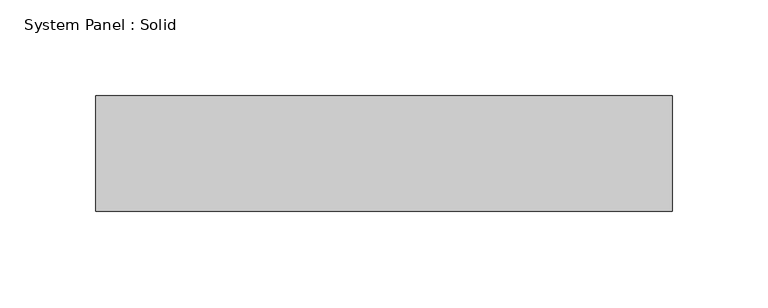
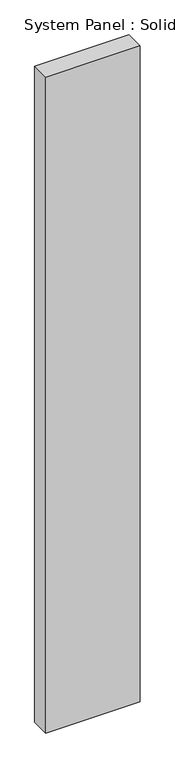
"""IFC4 building model written with IfcOpenShell, lengths in millimetres: plate geometry, System Panel : Solid."""

from ifc_helpers import new_model, si_unit, origin, origin_with_axes, place, context, project, spatial, polyline, outline, extrude, source, transform, mapped, element, save


def system_panel_solid_5229622d(model_context):
    return source(origin(), model_context, "Body", "SweptSolid", [
        extrude(outline(polyline([(150.0000001, -10.5), (-150.0000001, -10.5), (-150.0000001, 49.5), (150.0000001, 49.5), (150.0000001, -10.5)])), origin_with_axes(), (0.0, 0.0, 1.0), 2200.0),
    ])


if __name__ == "__main__":
    model = new_model("IFC4")
    model_context = context("Model", 3, world=origin())
    ifc_project = project(units=[si_unit("LENGTHUNIT", "METRE", prefix="MILLI")], contexts=[model_context])
    site = spatial("IfcSite", under=ifc_project)
    building = spatial("IfcBuilding", under=site)
    placement = place(None, origin())
    system_panel_solid_shape = system_panel_solid_5229622d(model_context)
    element("IfcPlate", 1, ObjectType="System Panel : Solid", at=placement, inside=building, context=model_context, shape_type="MappedRepresentation", body=[
        mapped(system_panel_solid_shape, transform((0.0, 0.0, 0.0), x_axis=(1.0, 0.0, 0.0), y_axis=(0.0, 1.0, 0.0), z_axis=(0.0, 0.0, 1.0))),
    ])
    save(model, "model.ifc")
